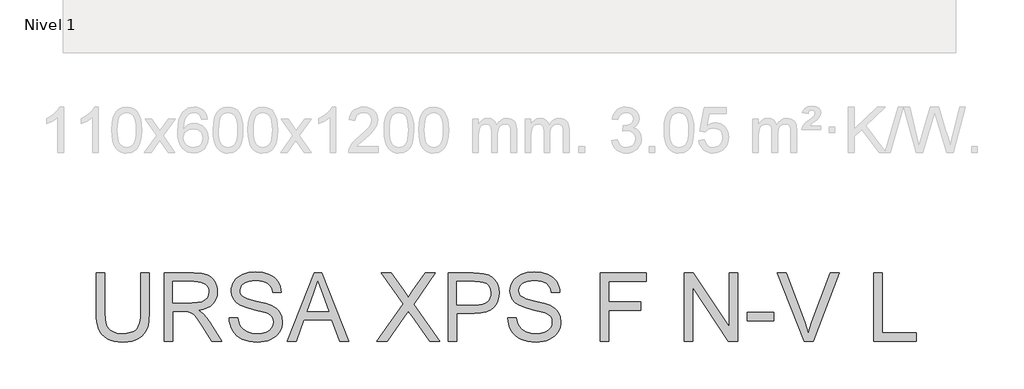
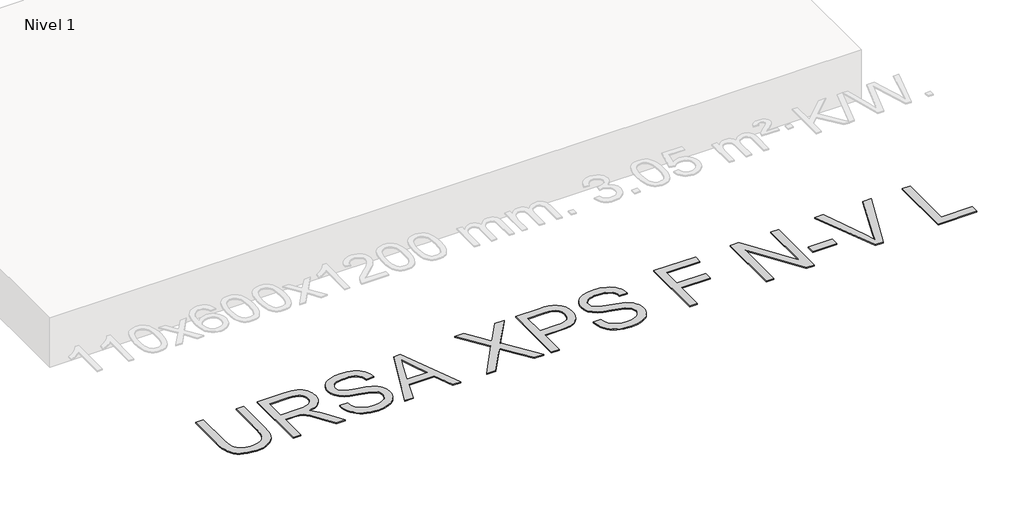
# One storey, part 5 of 10: 1 proxy.
"""IFC4 building model written with IfcOpenShell, lengths in millimetres."""

from ifc_helpers import new_model, si_unit, origin, origin_with_axes, place, context, project, spatial, polyline, outline, extrude, element, save

model = new_model("IFC4")

# Units and contexts
model_context = context("Model", 3, world=origin())
ifc_project = project(units=[si_unit("LENGTHUNIT", "METRE", prefix="MILLI")], contexts=[model_context])

# Site, building, storey
site = spatial("IfcSite", under=ifc_project)
building = spatial("IfcBuilding", under=site)
storey = spatial("IfcBuildingStorey", under=building, Name="Nivel 1", Elevation=0.0)

# Proxy
placement = place(None, origin())
element("IfcBuildingElementProxy", 1, Name="Texto de modelo 3", ObjectType="Texto de modelo 3", at=placement, inside=storey, context=model_context, shape_type="SweptSolid", body=[
    extrude(outline(polyline([(-18972.7770203, -13677.5031362), (-18897.4347877, -13677.5031362), (-18897.4347877, -14025.225198), (-18902.5483474, -14106.6558777), (-18908.9402971, -14140.3492699), (-18917.8890266, -14169.3613637), (-18930.1670882, -14194.7912067), (-18946.5470341, -14217.7378461), (-18967.0288642, -14238.2012821), (-18991.6125785, -14256.1815146), (-19020.3257682, -14270.8278165), (-19053.1960245, -14281.2894608), (-19090.2233473, -14287.5664473), (-19131.4077366, -14289.6587762), (-19171.575852, -14287.8377603), (-19207.9087975, -14282.3747127), (-19240.4065733, -14273.2696333), (-19269.0691792, -14260.5225222), (-19293.9012139, -14244.3219188), (-19314.9072758, -14224.8563627), (-19332.087365, -14202.1258539), (-19345.4414814, -14176.1303925), (-19355.4524702, -14145.9778644), (-19362.6031765, -14110.776156), (-19366.8936003, -14070.5252672), (-19368.3237415, -14025.225198), (-19368.3237415, -13677.5031362), (-19292.9815089, -13677.5031362), (-19292.9815089, -14022.5764477), (-19289.2659008, -14090.2851289), (-19278.1190763, -14137.4292066), (-19269.3542878, -14154.8070323), (-19257.9223548, -14170.0787336), (-19243.8232773, -14183.2443105), (-19227.0570554, -14194.303763), (-19186.8107651, -14209.3133484), (-19138.471071, -14214.3165436), (-19096.9463907, -14211.8425371), (-19061.8412514, -14204.4205179), (-19033.1556528, -14192.0504858), (-19010.889595, -14174.7324409), (-18994.2153436, -14150.3786528), (-18982.305164, -14116.9013912), (-18975.1590562, -14074.3006562), (-18972.7770203, -14022.5764477), (-18972.7770203, -13677.5031362)])), origin_with_axes(), (0.0, 0.0, 1.0), 10.0),
    extrude(outline(polyline([(-18765.5858806, -14280.2409971), (-18765.5858806, -13677.5031362), (-18505.861192, -13677.5031362), (-18436.0555835, -13681.5682322), (-18385.269474, -13693.7635204), (-18365.6705607, -13703.457211), (-18348.1501807, -13716.2778985), (-18332.708334, -13732.225583), (-18319.3450205, -13751.3002644), (-18308.5614795, -13772.4764718), (-18300.8589502, -13794.728734), (-18296.2374327, -13818.057051), (-18294.6969268, -13842.4614228), (-18297.2491082, -13873.4186927), (-18304.9056522, -13901.8375769), (-18317.6665589, -13927.7180752), (-18335.5318283, -13951.0601878), (-18358.7313866, -13971.1189536), (-18387.4951601, -13987.1494115), (-18421.8231488, -13999.1515616), (-18461.7153526, -14007.1254039), (-18436.883318, -14023.3489999), (-18418.8938884, -14039.3518667), (-18388.028589, -14075.9561252), (-18357.8254772, -14116.9013912), (-18257.3201161, -14280.2409971), (-18344.876031, -14280.2409971), (-18423.3084723, -14155.3082715), (-18479.9622996, -14072.608399), (-18501.0235438, -14048.4937342), (-18519.7671315, -14033.5393311), (-18555.5988378, -14019.1919333), (-18599.3032188, -14016.5431829), (-18690.243648, -14016.5431829), (-18690.243648, -14280.2409971), (-18765.5858806, -14280.2409971)]), holes=[polyline([(-18690.243648, -13941.2009503), (-18521.6065414, -13941.2009503), (-18473.1748768, -13938.5338059), (-18435.595731, -13930.5323725), (-18407.3056055, -13916.6632213), (-18386.741002, -13896.3929233), (-18374.2146201, -13871.8735883), (-18370.0391594, -13845.257326), (-18372.0303207, -13825.9895065), (-18378.0038046, -13808.5059147), (-18387.9596111, -13792.8065505), (-18401.8977402, -13778.8914141), (-18420.1400886, -13767.4962693), (-18443.0085532, -13759.3568801), (-18470.5031338, -13754.4732466), (-18502.6238305, -13752.8453688), (-18690.243648, -13752.8453688), (-18690.243648, -13941.2009503)])]), origin_with_axes(), (0.0, 0.0, 1.0), 10.0),
    extrude(outline(polyline([(-18191.101357, -14073.0498574), (-18115.7591244, -14073.0498574), (-18107.1138975, -14114.8596462), (-18091.4789127, -14148.4656664), (-18067.0883364, -14175.1371111), (-18032.1763351, -14196.143173), (-17989.5020236, -14209.7732009), (-17941.824517, -14214.3165436), (-17899.8491814, -14210.8768469), (-17863.0977701, -14200.5577569), (-17833.3177226, -14184.2237964), (-17812.2564783, -14162.7394878), (-17799.7300964, -14138.0730001), (-17795.5546358, -14112.1925017), (-17798.6816327, -14086.9741909), (-17808.0626236, -14065.1771827), (-17827.1189109, -14046.5807479), (-17859.2717973, -14030.9641572), (-17968.9742083, -14002.1957851), (-18040.9871088, -13983.1578919), (-18087.0643287, -13965.0397036), (-18124.5698981, -13939.6926342), (-18151.1493723, -13908.9744876), (-18166.9866922, -13873.5474514), (-18172.2657988, -13834.0737133), (-18170.6333225, -13811.6375102), (-18165.7358934, -13789.946268), (-18157.5735116, -13768.9999869), (-18146.1461772, -13748.7986669), (-18131.5826487, -13730.1654438), (-18114.0116849, -13713.9234537), (-18093.4332858, -13700.0726966), (-18069.8474514, -13688.6131724), (-18016.8356559, -13673.217311), (-17958.1584776, -13668.0853571), (-17894.5884689, -13673.4564342), (-17838.9647112, -13689.5696656), (-17814.6293172, -13701.5718157), (-17793.2737674, -13716.0939575), (-17774.8980617, -13733.1360909), (-17759.5022002, -13752.698216), (-17747.2057445, -13774.2101157), (-17738.1282563, -13797.1015728), (-17732.2697355, -13821.3725875), (-17729.6301822, -13847.0231596), (-17804.9724148, -13847.0231596), (-17810.0123982, -13822.9820712), (-17818.8047779, -13802.0679798), (-17831.3495539, -13784.2808853), (-17847.6467263, -13769.6207878), (-17867.9997977, -13758.1612636), (-17892.7122707, -13749.9758892), (-17921.7841454, -13745.0646646), (-17955.2154217, -13743.4275897), (-17989.7135558, -13745.0462705), (-18019.1901006, -13749.9023128), (-18043.6450563, -13757.9957167), (-18063.0784227, -13769.3264822), (-18077.885673, -13782.9473131), (-18088.4622803, -13797.9109132), (-18094.8082447, -13814.2172827), (-18096.9235662, -13831.8664214), (-18095.4244471, -13847.0507507), (-18090.9270897, -13860.8187344), (-18083.431494, -13873.1703724), (-18072.9376601, -13884.1056647), (-18056.4197585, -13894.4615428), (-18030.4105015, -13904.9277856), (-17949.9179209, -13926.1913649), (-17866.8501664, -13946.3880865), (-17816.5974859, -13964.009634), (-17773.6472629, -13991.3432663), (-17757.0419894, -14007.4105124), (-17743.6832744, -14025.0780452), (-17733.4147682, -14044.2538942), (-17726.080121, -14064.8460889), (-17720.2124031, -14110.2795153), (-17721.9000618, -14133.8469556), (-17726.9630378, -14156.7246172), (-17735.401331, -14178.9125), (-17747.2149416, -14200.4106041), (-17762.1969358, -14220.3865965), (-17780.1403802, -14238.008144), (-17801.0452745, -14253.2752468), (-17824.911619, -14266.1879049), (-17851.0450362, -14276.4564111), (-17878.751149, -14283.7910583), (-17938.8814611, -14289.6587762), (-17977.4216986, -14288.0768836), (-18012.6969834, -14283.3312059), (-18044.7073155, -14275.421743), (-18073.4526949, -14264.3484949), (-18099.1078656, -14250.0930676), (-18121.8475714, -14232.6370669), (-18141.6718124, -14211.9804929), (-18158.5805886, -14188.1233455), (-18172.2014195, -14161.8381769), (-18182.1618245, -14133.8975394), (-18188.4618037, -14104.3014329), (-18191.101357, -14073.0498574)])), origin_with_axes(), (0.0, 0.0, 1.0), 10.0),
    extrude(outline(polyline([(-17677.3909389, -14280.2409971), (-17436.7961141, -13677.5031362), (-17372.6374941, -13677.5031362), (-17132.0426693, -14280.2409971), (-17211.652333, -14280.2409971), (-17280.6669953, -14091.8854156), (-17528.9137657, -14091.8854156), (-17597.7812752, -14280.2409971), (-17677.3909389, -14280.2409971)]), holes=[polyline([(-17501.2490396, -14016.5431829), (-17308.1845685, -14016.5431829), (-17362.483951, -13868.3603153), (-17404.7168041, -13752.8453688), (-17442.2407676, -13855.4108691), (-17501.2490396, -14016.5431829)])]), origin_with_axes(), (0.0, 0.0, 1.0), 10.0),
    extrude(outline(polyline([(-16882.0300653, -14280.2409971), (-16649.6757972, -13951.7959518), (-16844.358949, -13677.5031362), (-16754.007131, -13677.5031362), (-16644.3782965, -13831.8664214), (-16618.2218866, -13870.9722775), (-16607.4429441, -13892.0519158), (-16564.1800215, -13830.8363518), (-16455.7284093, -13677.5031362), (-16364.0522161, -13677.5031362), (-16558.735368, -13952.6788686), (-16326.3810998, -14280.2409971), (-16416.7329178, -14280.2409971), (-16571.5376614, -14061.8662448), (-16603.7641242, -14016.5431829), (-16639.2279485, -14066.2808287), (-16790.3538721, -14280.2409971), (-16882.0300653, -14280.2409971)])), origin_with_axes(), (0.0, 0.0, 1.0), 10.0),
    extrude(outline(polyline([(-16251.0388672, -14280.2409971), (-16251.0388672, -13677.5031362), (-16027.6609197, -13677.5031362), (-15975.6424056, -13678.937876), (-15937.6034073, -13683.2420953), (-15897.4490875, -13693.9658555), (-15864.3948903, -13711.4218561), (-15837.7786279, -13736.4010436), (-15816.9381129, -13769.6943642), (-15803.4736319, -13808.9657672), (-15798.9854715, -13851.8792019), (-15802.0158995, -13888.8789336), (-15811.1071833, -13922.9172152), (-15826.259323, -13953.9940467), (-15847.4723185, -13982.1094282), (-15876.5947769, -14005.4147526), (-15915.4753053, -14022.0614129), (-15964.1139036, -14032.049409), (-16022.5105718, -14035.3787411), (-16175.6966346, -14035.3787411), (-16175.6966346, -14280.2409971), (-16251.0388672, -14280.2409971)]), holes=[polyline([(-16175.6966346, -13960.0365085), (-16018.0959879, -13960.0365085), (-15981.8596113, -13958.3074631), (-15951.2886175, -13953.120327), (-15926.3830065, -13944.4751001), (-15907.1427781, -13932.3717825), (-15892.7861833, -13917.1322708), (-15882.5314726, -13899.0784619), (-15876.3786463, -13878.2103557), (-15874.3277041, -13854.5279523), (-15879.1653524, -13820.6828087), (-15893.6782971, -13792.1351659), (-15916.0639165, -13770.6508574), (-15944.5195888, -13757.9957167), (-15973.5822664, -13754.1329558), (-16019.8618214, -13752.8453688), (-16175.6966346, -13752.8453688), (-16175.6966346, -13960.0365085)])]), origin_with_axes(), (0.0, 0.0, 1.0), 10.0),
    extrude(outline(polyline([(-15723.6432389, -14073.0498574), (-15648.3010063, -14073.0498574), (-15639.6557794, -14114.8596462), (-15624.0207946, -14148.4656664), (-15599.6302183, -14175.1371111), (-15564.718217, -14196.143173), (-15522.0439056, -14209.7732009), (-15474.366399, -14214.3165436), (-15432.3910633, -14210.8768469), (-15395.639652, -14200.5577569), (-15365.8596045, -14184.2237964), (-15344.7983603, -14162.7394878), (-15332.2719784, -14138.0730001), (-15328.0965177, -14112.1925017), (-15331.2235147, -14086.9741909), (-15340.6045055, -14065.1771827), (-15359.6607929, -14046.5807479), (-15391.8136793, -14030.9641572), (-15501.5160902, -14002.1957851), (-15573.5289908, -13983.1578919), (-15619.6062107, -13965.0397036), (-15657.1117801, -13939.6926342), (-15683.6912542, -13908.9744876), (-15699.5285741, -13873.5474514), (-15704.8076808, -13834.0737133), (-15703.1752044, -13811.6375102), (-15698.2777754, -13789.946268), (-15690.1153936, -13768.9999869), (-15678.6880591, -13748.7986669), (-15664.1245306, -13730.1654438), (-15646.5535668, -13713.9234537), (-15625.9751677, -13700.0726966), (-15602.3893333, -13688.6131724), (-15549.3775378, -13673.217311), (-15490.7003596, -13668.0853571), (-15427.1303508, -13673.4564342), (-15371.5065931, -13689.5696656), (-15347.1711992, -13701.5718157), (-15325.8156493, -13716.0939575), (-15307.4399437, -13733.1360909), (-15292.0440822, -13752.698216), (-15279.7476265, -13774.2101157), (-15270.6701383, -13797.1015728), (-15264.8116175, -13821.3725875), (-15262.1720642, -13847.0231596), (-15337.5142968, -13847.0231596), (-15342.5542801, -13822.9820712), (-15351.3466598, -13802.0679798), (-15363.8914358, -13784.2808853), (-15380.1886082, -13769.6207878), (-15400.5416796, -13758.1612636), (-15425.2541526, -13749.9758892), (-15454.3260273, -13745.0646646), (-15487.7573036, -13743.4275897), (-15522.2554377, -13745.0462705), (-15551.7319826, -13749.9023128), (-15576.1869382, -13757.9957167), (-15595.6203046, -13769.3264822), (-15610.4275549, -13782.9473131), (-15621.0041623, -13797.9109132), (-15627.3501267, -13814.2172827), (-15629.4654482, -13831.8664214), (-15627.966329, -13847.0507507), (-15623.4689716, -13860.8187344), (-15615.973376, -13873.1703724), (-15605.4795421, -13884.1056647), (-15588.9616405, -13894.4615428), (-15562.9523834, -13904.9277856), (-15482.4598029, -13926.1913649), (-15399.3920484, -13946.3880865), (-15349.1393678, -13964.009634), (-15306.1891449, -13991.3432663), (-15289.5838713, -14007.4105124), (-15276.2251564, -14025.0780452), (-15265.9566502, -14044.2538942), (-15258.6220029, -14064.8460889), (-15252.7542851, -14110.2795153), (-15254.4419438, -14133.8469556), (-15259.5049197, -14156.7246172), (-15267.943213, -14178.9125), (-15279.7568235, -14200.4106041), (-15294.7388178, -14220.3865965), (-15312.6822621, -14238.008144), (-15333.5871565, -14253.2752468), (-15357.4535009, -14266.1879049), (-15383.5869182, -14276.4564111), (-15411.2930309, -14283.7910583), (-15471.423343, -14289.6587762), (-15509.9635806, -14288.0768836), (-15545.2388654, -14283.3312059), (-15577.2491975, -14275.421743), (-15605.9945769, -14264.3484949), (-15631.6497475, -14250.0930676), (-15654.3894533, -14232.6370669), (-15674.2136943, -14211.9804929), (-15691.1224706, -14188.1233455), (-15704.7433014, -14161.8381769), (-15714.7037064, -14133.8975394), (-15721.0036856, -14104.3014329), (-15723.6432389, -14073.0498574)])), origin_with_axes(), (0.0, 0.0, 1.0), 10.0),
    extrude(outline(polyline([(-14904.2964593, -14280.2409971), (-14904.2964593, -13677.5031362), (-14499.331959, -13677.5031362), (-14499.331959, -13752.8453688), (-14828.9542267, -13752.8453688), (-14828.9542267, -13931.7831713), (-14546.4208544, -13931.7831713), (-14546.4208544, -14007.1254039), (-14828.9542267, -14007.1254039), (-14828.9542267, -14280.2409971), (-14904.2964593, -14280.2409971)])), origin_with_axes(), (0.0, 0.0, 1.0), 10.0),
    extrude(outline(polyline([(-14160.2919122, -14280.2409971), (-14160.2919122, -13677.5031362), (-14079.6521789, -13677.5031362), (-13764.745191, -14155.0139659), (-13764.745191, -13677.5031362), (-13689.4029584, -13677.5031362), (-13689.4029584, -14280.2409971), (-13770.0426917, -14280.2409971), (-14084.9496796, -13802.5830146), (-14084.9496796, -14280.2409971), (-14160.2919122, -14280.2409971)])), origin_with_axes(), (0.0, 0.0, 1.0), 10.0),
    extrude(outline(polyline([(-13604.6429467, -14101.3031946), (-13604.6429467, -14025.960962), (-13369.1984698, -14025.960962), (-13369.1984698, -14101.3031946), (-13604.6429467, -14101.3031946)])), origin_with_axes(), (0.0, 0.0, 1.0), 10.0),
    extrude(outline(polyline([(-13096.9657934, -14280.2409971), (-13336.8248542, -13677.5031362), (-13256.1851209, -13677.5031362), (-13095.6414182, -14111.7510433), (-13063.1206498, -14209.607654), (-13031.0413398, -14111.7510433), (-12870.0561787, -13677.5031362), (-12789.4164454, -13677.5031362), (-13019.1219632, -14280.2409971), (-13096.9657934, -14280.2409971)])), origin_with_axes(), (0.0, 0.0, 1.0), 10.0),
    extrude(outline(polyline([(-12483.9272366, -14280.2409971), (-12483.9272366, -13677.5031362), (-12408.585004, -13677.5031362), (-12408.585004, -14204.8987645), (-12107.2160735, -14204.8987645), (-12107.2160735, -14280.2409971), (-12483.9272366, -14280.2409971)])), origin_with_axes(), (0.0, 0.0, 1.0), 10.0),
])

save(model, "model.ifc")
